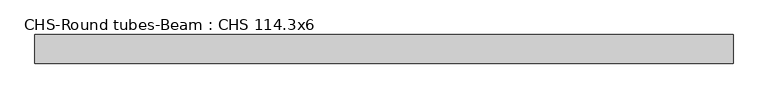
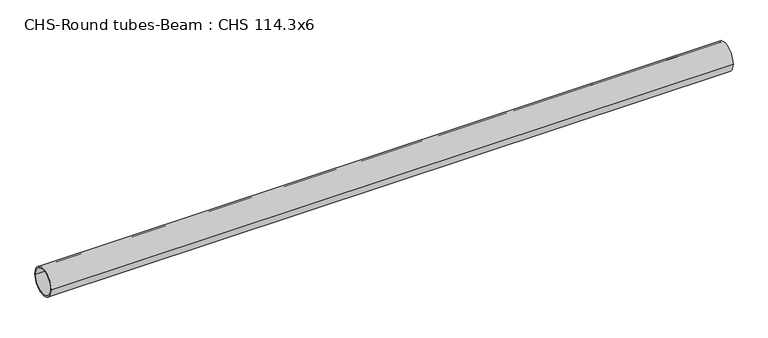
"""IFC4 building model written with IfcOpenShell, lengths in millimetres: beam geometry, CHS-Round tubes-Beam : CHS 114.3x6."""

from ifc_helpers import new_model, si_unit, point, frame, origin, origin_2d, place, context, project, spatial, circle_curve, trimmed, segment, composite_curve, outline, extrude, source, transform, mapped, element, save


def chs_round_tubes_beam_chs_114_3x6_9f4077ce(model_context):
    return source(origin(), model_context, "Body", "SweptSolid", [
        extrude(outline(composite_curve([segment(trimmed(circle_curve(origin_2d(), 57.15), [point((57.15, 0.0))], [point((-57.15, 0.0))], False, "CARTESIAN"), True, "CONTINUOUS"), segment(trimmed(circle_curve(origin_2d(), 57.15), [point((-57.15, 0.0))], [point((57.15, 0.0))], False, "CARTESIAN"), True, "CONTINUOUS")], self_intersect=False), holes=[composite_curve([segment(trimmed(circle_curve(origin_2d(), 51.15), [point((51.15, 0.0))], [point((-51.15, 0.0))], True, "CARTESIAN"), True, "CONTINUOUS"), segment(trimmed(circle_curve(origin_2d(), 51.15), [point((-51.15, 0.0))], [point((51.15, 0.0))], True, "CARTESIAN"), True, "CONTINUOUS")], self_intersect=False)]), frame((-1345.8101155, 0.0, 0.0), z_axis=(1.0, 0.0, 0.0), x_axis=(0.0, 1.0, 0.0)), (0.0, 0.0, 1.0), 2783.5256555),
    ])


if __name__ == "__main__":
    model = new_model("IFC4")
    model_context = context("Model", 3, world=origin())
    ifc_project = project(units=[si_unit("LENGTHUNIT", "METRE", prefix="MILLI")], contexts=[model_context])
    site = spatial("IfcSite", under=ifc_project)
    building = spatial("IfcBuilding", under=site)
    placement = place(None, origin())
    chs_round_tubes_beam_chs_114_3x6_shape = chs_round_tubes_beam_chs_114_3x6_9f4077ce(model_context)
    element("IfcBeam", 1, ObjectType="CHS-Round tubes-Beam : CHS 114.3x6", at=placement, inside=building, context=model_context, shape_type="MappedRepresentation", body=[
        mapped(chs_round_tubes_beam_chs_114_3x6_shape, transform((0.0, 0.0, 0.0), x_axis=(1.0, 0.0, 0.0), y_axis=(0.0, 1.0, 0.0), z_axis=(0.0, 0.0, 1.0))),
    ])
    save(model, "model.ifc")
